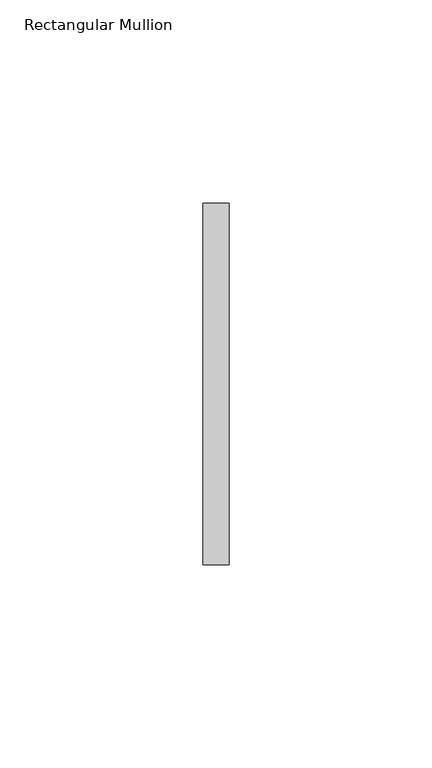
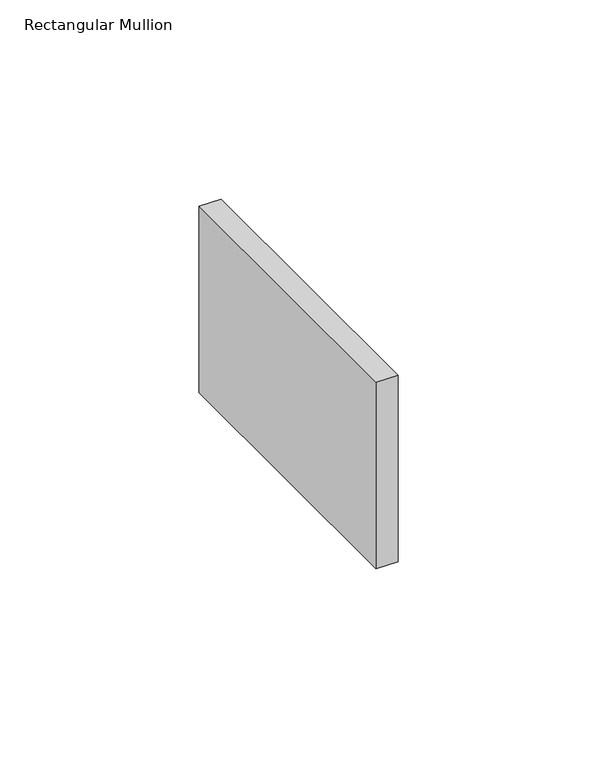
"""IFC4 building model written with IfcOpenShell, lengths in millimetres: member geometry, Rectangular Mullion."""

from ifc_helpers import new_model, si_unit, frame, origin, place, context, project, spatial, polyline, outline, extrude, source, transform, mapped, element, save


def rectangular_mullion_336998ce(model_context):
    return source(origin(), model_context, "Body", "SweptSolid", [
        extrude(outline(polyline([(0.0, 44.45), (0.0, -44.45), (-6.35, -44.45), (-6.35, 44.45), (0.0, 44.45)])), frame((0.0, 0.0, -57.15), z_axis=(0.0, 0.0, 1.0), x_axis=(1.0, 0.0, 0.0)), (0.0, 0.0, 1.0), 57.15),
    ])


if __name__ == "__main__":
    model = new_model("IFC4")
    model_context = context("Model", 3, world=origin())
    ifc_project = project(units=[si_unit("LENGTHUNIT", "METRE", prefix="MILLI")], contexts=[model_context])
    site = spatial("IfcSite", under=ifc_project)
    building = spatial("IfcBuilding", under=site)
    placement = place(None, origin())
    rectangular_mullion_shape = rectangular_mullion_336998ce(model_context)
    element("IfcMember", 1, ObjectType="Rectangular Mullion", at=placement, inside=building, context=model_context, shape_type="MappedRepresentation", body=[
        mapped(rectangular_mullion_shape, transform((0.0, 0.0, 0.0), x_axis=(1.0, 0.0, 0.0), y_axis=(0.0, 1.0, 0.0), z_axis=(0.0, 0.0, 1.0))),
    ])
    save(model, "model.ifc")
